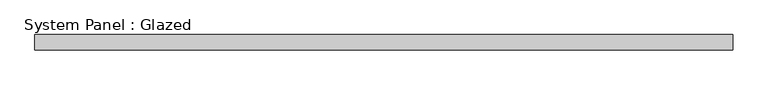
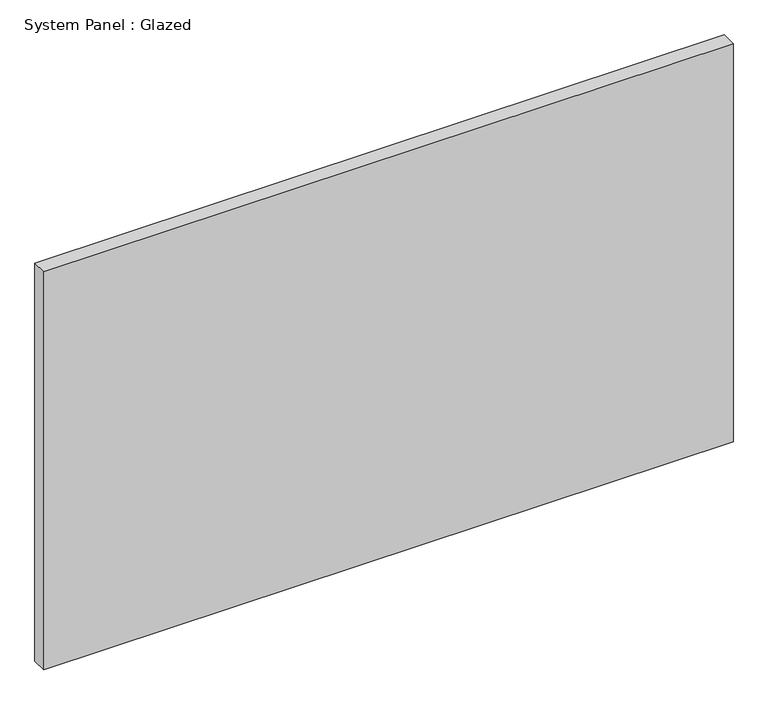
"""IFC4 building model written with IfcOpenShell, lengths in millimetres: plate geometry, System Panel : Glazed."""

from ifc_helpers import new_model, si_unit, origin, origin_with_axes, place, context, project, spatial, polyline, outline, extrude, source, transform, mapped, element, save


def system_panel_glazed_f2119342(model_context):
    return source(origin(), model_context, "Body", "SweptSolid", [
        extrude(outline(polyline([(577.375, 19.05), (-577.375, 19.05), (-577.375, 44.45), (577.375, 44.45), (577.375, 19.05)])), origin_with_axes(), (0.0, 0.0, 1.0), 704.75),
    ])


if __name__ == "__main__":
    model = new_model("IFC4")
    model_context = context("Model", 3, world=origin())
    ifc_project = project(units=[si_unit("LENGTHUNIT", "METRE", prefix="MILLI")], contexts=[model_context])
    site = spatial("IfcSite", under=ifc_project)
    building = spatial("IfcBuilding", under=site)
    placement = place(None, origin())
    system_panel_glazed_shape = system_panel_glazed_f2119342(model_context)
    element("IfcPlate", 1, ObjectType="System Panel : Glazed", at=placement, inside=building, context=model_context, shape_type="MappedRepresentation", body=[
        mapped(system_panel_glazed_shape, transform((0.0, 0.0, 0.0), x_axis=(1.0, 0.0, 0.0), y_axis=(0.0, 1.0, 0.0), z_axis=(0.0, 0.0, 1.0))),
    ])
    save(model, "model.ifc")
